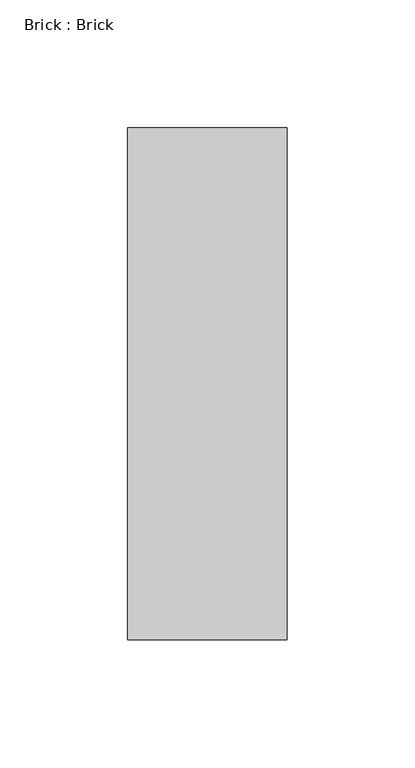
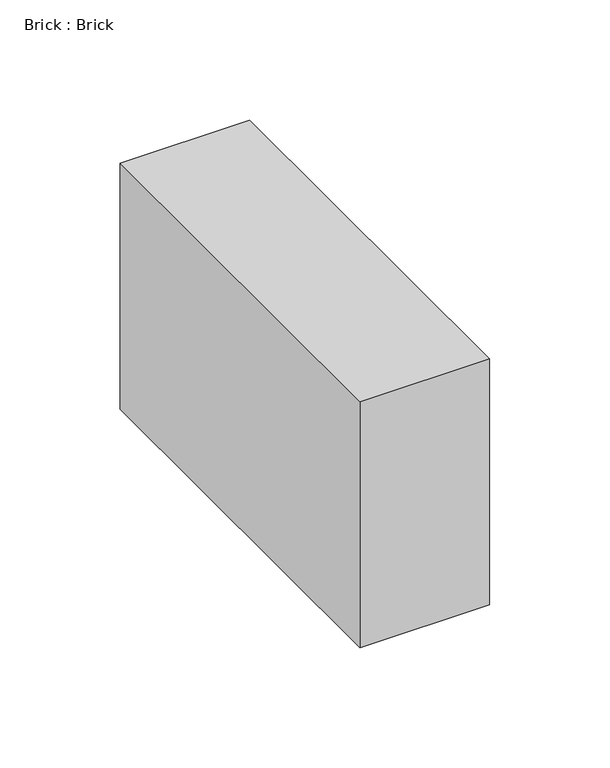
"""IFC4 building model written with IfcOpenShell, lengths in millimetres: proxy geometry, Brick : Brick."""

import ifcopenshell
import ifcopenshell.guid

model = None  # the IFC model being written
_history = None  # IfcOwnerHistory: only IFC2X3 demands one
_inside = {}  # id of a spatial element -> (the spatial element, [elements in it])
_under = {}  # id of a project, library or spatial element -> (it, [spatial elements below it])
_declared = {}  # id of a project -> (the project, [libraries it declares])
_typed = {}  # id of a type object -> (the type object, [elements of that type])
_made_of = {}  # id of a material, layer set ... -> (it, [elements and type objects made of it])


def new_model(schema):
    """Start an empty IFC model of exactly this schema.

    Asked for "IFC4X3", IfcOpenShell would pick the latest addendum, in which some entities
    have other attributes; the version numbers below select the first issue.
    IFC2X3 requires an IfcOwnerHistory on every rooted entity: one is made here for all.
    """
    global model, _history
    if schema == "IFC4X3":
        model = ifcopenshell.file(schema_version=(4, 3, 0, 0))
    else:
        model = ifcopenshell.file(schema=schema)
    _inside.clear()
    _under.clear()
    _declared.clear()
    _typed.clear()
    _made_of.clear()
    _history = None
    if model.schema == "IFC2X3":
        org = make("IfcOrganization", Name="unknown")
        user = make(
            "IfcPersonAndOrganization",
            ThePerson=make("IfcPerson", FamilyName="unknown"),
            TheOrganization=org,
        )
        app = make(
            "IfcApplication",
            ApplicationDeveloper=org,
            Version="unknown",
            ApplicationFullName="unknown",
            ApplicationIdentifier="unknown",
        )
        _history = make(
            "IfcOwnerHistory",
            OwningUser=user,
            OwningApplication=app,
            ChangeAction="ADDED",
            CreationDate=0,
        )
    return model


def make(cls, **values):
    """One entity of the class cls with the attributes given. An attribute that is None is left unset."""
    return model.create_entity(
        cls, **{name: value for name, value in values.items() if value is not None}
    )


def rooted(cls, **values):
    """An entity with a GlobalId (a new one), such as an element, a storey or a relation."""
    return make(cls, GlobalId=ifcopenshell.guid.new(), OwnerHistory=_history, **values)


def si_unit(unit_type, name, prefix=None):
    """IfcSIUnit, for example si_unit("LENGTHUNIT", "METRE", prefix="MILLI")."""
    return make("IfcSIUnit", UnitType=unit_type, Prefix=prefix, Name=name)


def assignment(units):
    """IfcUnitAssignment: the units of a project."""
    return None if units is None else make("IfcUnitAssignment", Units=units)


def point(xyz):
    """IfcCartesianPoint."""
    return None if xyz is None else make("IfcCartesianPoint", Coordinates=xyz)


def direction(xyz):
    """IfcDirection."""
    return None if xyz is None else make("IfcDirection", DirectionRatios=xyz)


def frame(location, z_axis=None, x_axis=None):
    """IfcAxis2Placement3D, a coordinate frame: its origin and axes. An axis left out is left unset."""
    return make(
        "IfcAxis2Placement3D",
        Location=point(location),
        Axis=direction(z_axis),
        RefDirection=direction(x_axis),
    )


def origin():
    """The frame at (0, 0, 0) with its axes left unset."""
    return frame((0.0, 0.0, 0.0))


def place(relative_to, where):
    """IfcLocalPlacement: puts the frame where relative to a parent placement (None: the world)."""
    return make(
        "IfcLocalPlacement", PlacementRelTo=relative_to, RelativePlacement=where
    )


def context(
    kind, dimensions, precision=None, world=None, true_north=None, identifier=None
):
    """IfcGeometricRepresentationContext, for example the 3D "Model" context."""
    return make(
        "IfcGeometricRepresentationContext",
        ContextIdentifier=identifier,
        ContextType=kind,
        CoordinateSpaceDimension=dimensions,
        Precision=precision,
        WorldCoordinateSystem=world,
        TrueNorth=true_north,
    )


def project(units=None, contexts=None):
    """IfcProject with its units and contexts."""
    return rooted(
        "IfcProject",
        Name="project",
        RepresentationContexts=contexts,
        UnitsInContext=assignment(units),
    )


def spatial(cls, under=None, at=None, **own):
    """A site, building, storey or space (cls), placed at a placement, below another one or the project."""
    s = rooted(cls, ObjectPlacement=at, **own)
    if under is not None:
        _under.setdefault(under.id(), (under, []))[1].append(s)
    return s


def polyline(points):
    """IfcPolyline through the points."""
    return make("IfcPolyline", Points=[point(p) for p in points])


def outline(outer, holes=None, kind="AREA"):
    """IfcArbitraryClosedProfileDef: a profile drawn as a closed curve; with holes, ...WithVoids."""
    if holes is None:
        return make("IfcArbitraryClosedProfileDef", ProfileType=kind, OuterCurve=outer)
    return make(
        "IfcArbitraryProfileDefWithVoids",
        ProfileType=kind,
        OuterCurve=outer,
        InnerCurves=holes,
    )


def extrude(swept, where, along, depth):
    """IfcExtrudedAreaSolid: the profile swept, set in the frame where, extruded along a direction by depth."""
    return make(
        "IfcExtrudedAreaSolid",
        SweptArea=swept,
        Position=where,
        ExtrudedDirection=direction(along),
        Depth=depth,
    )


def shape(context_of_items, identifier, shape_type, items):
    """IfcShapeRepresentation: the items that make up one representation, for example the "Body"."""
    return make(
        "IfcShapeRepresentation",
        ContextOfItems=context_of_items,
        RepresentationIdentifier=identifier,
        RepresentationType=shape_type,
        Items=items,
    )


def source(mapping_origin, context_of_items, identifier, shape_type, items):
    """IfcRepresentationMap: a shape defined once, which mapped items show again and again."""
    return make(
        "IfcRepresentationMap",
        MappingOrigin=mapping_origin,
        MappedRepresentation=shape(context_of_items, identifier, shape_type, items),
    )


def transform(
    local_origin,
    x_axis=None,
    y_axis=None,
    z_axis=None,
    scale=None,
    scale2=None,
    scale3=None,
    uniform=True,
):
    """IfcCartesianTransformationOperator3D, or its non-uniform kind. x_axis, y_axis, z_axis: its Axis1, 2, 3."""
    if uniform:
        return make(
            "IfcCartesianTransformationOperator3D",
            Axis1=direction(x_axis),
            Axis2=direction(y_axis),
            LocalOrigin=point(local_origin),
            Scale=scale,
            Axis3=direction(z_axis),
        )
    return make(
        "IfcCartesianTransformationOperator3DnonUniform",
        Axis1=direction(x_axis),
        Axis2=direction(y_axis),
        LocalOrigin=point(local_origin),
        Scale=scale,
        Axis3=direction(z_axis),
        Scale2=scale2,
        Scale3=scale3,
    )


def mapped(mapping_source, mapping_target):
    """IfcMappedItem: shows the shape of a source again, moved by a transform."""
    return make(
        "IfcMappedItem", MappingSource=mapping_source, MappingTarget=mapping_target
    )


def made_of(thing, what):
    """Note that an element or type object is made of a material, layer set ...; save() writes the relation."""
    if what is not None:
        _made_of.setdefault(what.id(), (what, []))[1].append(thing)
    return thing


def element(
    cls,
    number,
    at=None,
    inside=None,
    cuts=None,
    type_object=None,
    material=None,
    context=None,
    identifier="Body",
    shape_type=None,
    held_by="IfcProductDefinitionShape",
    body=None,
    shapes=None,
    **own,
):
    """One element of the class cls, such as IfcWall. Its Tag is "e" and its number.

    at: its placement. inside: the storey or other place that contains it. cuts: it is an
    opening in that element (IfcRelVoidsElement). A single representation is given by context,
    identifier, shape_type and body (its items); several are given by shapes. held_by: the class
    of the entity that holds the representations. save() writes the other relations.
    """
    e = rooted(cls, Tag="e%d" % number, ObjectPlacement=at, **own)
    if body is not None:
        shapes = [shape(context, identifier, shape_type, body)]
    if shapes is not None:
        e.Representation = make(held_by, Representations=shapes)
    if inside is not None:
        _inside.setdefault(inside.id(), (inside, []))[1].append(e)
    if cuts is not None:
        rooted(
            "IfcRelVoidsElement", RelatingBuildingElement=cuts, RelatedOpeningElement=e
        )
    if type_object is not None:
        _typed.setdefault(type_object.id(), (type_object, []))[1].append(e)
    return made_of(e, material)


def aggregate(whole, parts):
    """IfcRelAggregates: a whole, such as a stair, and the parts it consists of."""
    return rooted("IfcRelAggregates", RelatingObject=whole, RelatedObjects=parts)


def save(model, path):
    """Write the relations noted so far, then the file.

    IfcRelAggregates (storeys below a building ...), IfcRelContainedInSpatialStructure (elements
    in a storey), IfcRelDefinesByType, IfcRelAssociatesMaterial and IfcRelDeclares: one each for
    every whole, place, type object, material and project.
    """
    for whole, parts in _under.values():
        aggregate(whole, parts)
    for where, things in _inside.values():
        rooted(
            "IfcRelContainedInSpatialStructure",
            RelatedElements=things,
            RelatingStructure=where,
        )
    for kind, things in _typed.values():
        rooted("IfcRelDefinesByType", RelatedObjects=things, RelatingType=kind)
    for what, things in _made_of.values():
        rooted("IfcRelAssociatesMaterial", RelatedObjects=things, RelatingMaterial=what)
    for by, libraries in _declared.values():
        rooted("IfcRelDeclares", RelatingContext=by, RelatedDefinitions=libraries)
    model.write(path)


def brick_brick_7f22ac85(model_context):
    return source(origin(), model_context, "Body", "SweptSolid", [
        extrude(outline(polyline([(31.1, 100.0), (31.1, -100.0), (-31.1, -100.0), (-31.1, 100.0), (31.1, 100.0)])), frame((0.0, 0.0, -62.5), z_axis=(0.0, 0.0, 1.0), x_axis=(1.0, 0.0, 0.0)), (0.0, 0.0, 1.0), 125.0),
    ])


if __name__ == "__main__":
    model = new_model("IFC4")
    model_context = context("Model", 3, world=origin())
    ifc_project = project(units=[si_unit("LENGTHUNIT", "METRE", prefix="MILLI")], contexts=[model_context])
    site = spatial("IfcSite", under=ifc_project)
    building = spatial("IfcBuilding", under=site)
    placement = place(None, origin())
    brick_brick_shape = brick_brick_7f22ac85(model_context)
    element("IfcBuildingElementProxy", 1, Name="Brick : Brick", ObjectType="Brick : Brick", at=placement, inside=building, context=model_context, shape_type="MappedRepresentation", body=[
        mapped(brick_brick_shape, transform((0.0, 0.0, 0.0), x_axis=(1.0, 0.0, 0.0), y_axis=(0.0, 1.0, 0.0), z_axis=(0.0, 0.0, 1.0))),
    ])
    save(model, "model.ifc")
